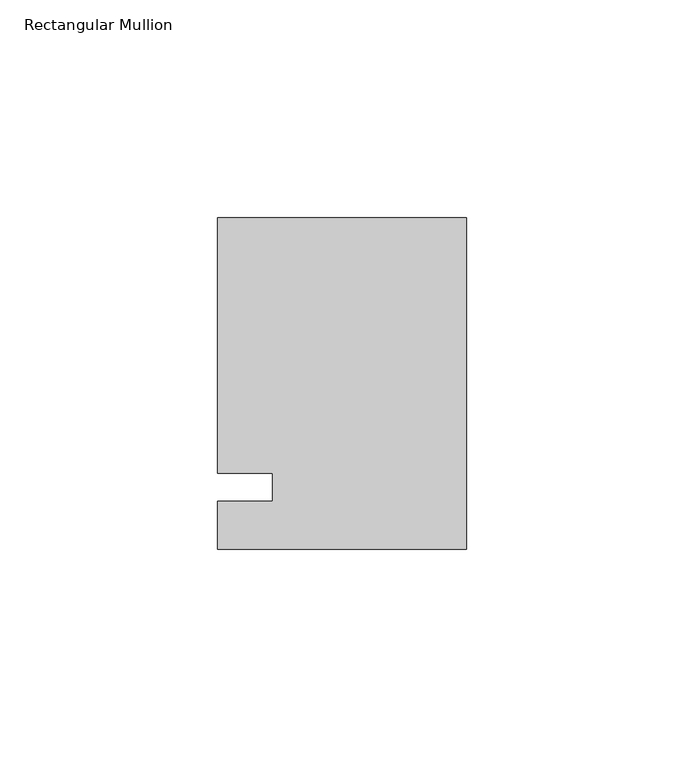
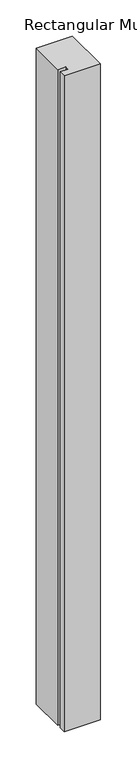
"""IFC4 building model written with IfcOpenShell, lengths in millimetres: member geometry, Rectangular Mullion."""

from ifc_helpers import new_model, si_unit, frame, origin, place, context, project, spatial, polyline, outline, extrude, source, transform, mapped, element, save


def rectangular_mullion_e1b3f13b(model_context):
    return source(origin(), model_context, "Body", "SweptSolid", [
        extrude(outline(polyline([(-57.15, 61.9125), (0.0, 61.9125), (0.0, -14.2875), (-57.15, -14.2875), (-57.15, -3.175), (-44.4482296, -3.175), (-44.4482296, 3.175), (-57.15, 3.175), (-57.15, 61.9125)])), frame((0.0, 0.0, -1099.7094027), z_axis=(0.0, 0.0, 1.0), x_axis=(1.0, 0.0, 0.0)), (0.0, 0.0, 1.0), 1099.7094027),
    ])


if __name__ == "__main__":
    model = new_model("IFC4")
    model_context = context("Model", 3, world=origin())
    ifc_project = project(units=[si_unit("LENGTHUNIT", "METRE", prefix="MILLI")], contexts=[model_context])
    site = spatial("IfcSite", under=ifc_project)
    building = spatial("IfcBuilding", under=site)
    placement = place(None, origin())
    rectangular_mullion_shape = rectangular_mullion_e1b3f13b(model_context)
    element("IfcMember", 1, ObjectType="Rectangular Mullion", at=placement, inside=building, context=model_context, shape_type="MappedRepresentation", body=[
        mapped(rectangular_mullion_shape, transform((0.0, 0.0, 0.0), x_axis=(1.0, 0.0, 0.0), y_axis=(0.0, 1.0, 0.0), z_axis=(0.0, 0.0, 1.0))),
    ])
    save(model, "model.ifc")
